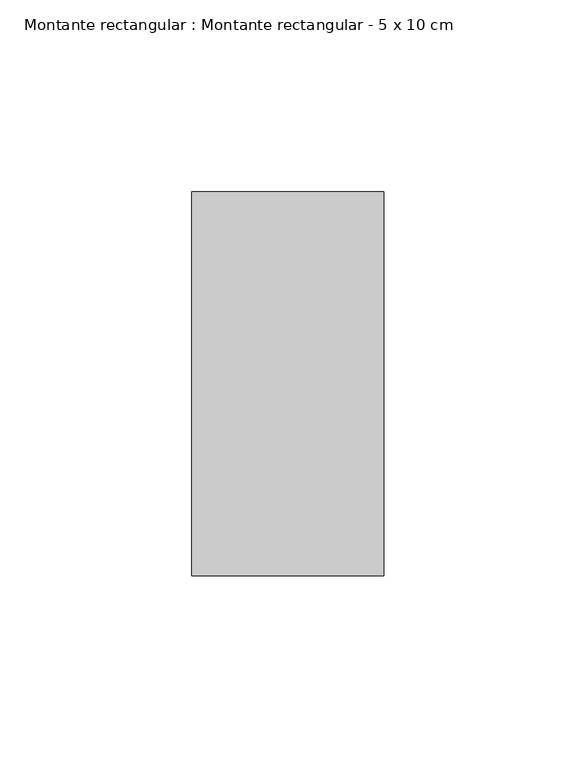
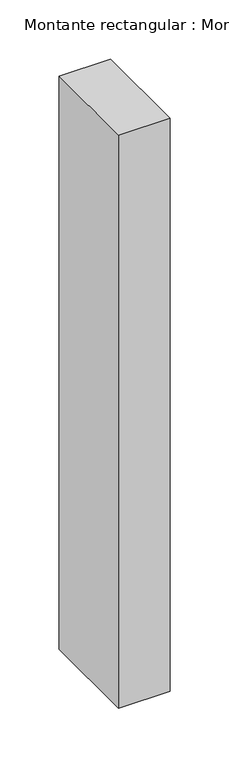
"""IFC4 building model written with IfcOpenShell, lengths in millimetres: member geometry, Montante rectangular : Montante rectangular - 5 x 10 cm."""

from ifc_helpers import new_model, si_unit, frame, origin, place, context, project, spatial, polyline, outline, extrude, source, transform, mapped, element, save


def montante_rectangular_montante_rectangular_5_x_10_cm_1cb77e3f(model_context):
    return source(origin(), model_context, "Body", "SweptSolid", [
        extrude(outline(polyline([(-50.0, 50.0), (0.0, 50.0), (0.0, -50.0), (-50.0, -50.0), (-50.0, 50.0)])), frame((0.0, 0.0, -589.5345998), z_axis=(0.0, 0.0, 1.0), x_axis=(1.0, 0.0, 0.0)), (0.0, 0.0, 1.0), 589.5345998),
    ])


if __name__ == "__main__":
    model = new_model("IFC4")
    model_context = context("Model", 3, world=origin())
    ifc_project = project(units=[si_unit("LENGTHUNIT", "METRE", prefix="MILLI")], contexts=[model_context])
    site = spatial("IfcSite", under=ifc_project)
    building = spatial("IfcBuilding", under=site)
    placement = place(None, origin())
    montante_rectangular_montante_rectangular_5_x_10_cm_shape = montante_rectangular_montante_rectangular_5_x_10_cm_1cb77e3f(model_context)
    element("IfcMember", 1, ObjectType="Montante rectangular : Montante rectangular - 5 x 10 cm", at=placement, inside=building, context=model_context, shape_type="MappedRepresentation", body=[
        mapped(montante_rectangular_montante_rectangular_5_x_10_cm_shape, transform((0.0, 0.0, 0.0), x_axis=(1.0, 0.0, 0.0), y_axis=(0.0, 1.0, 0.0), z_axis=(0.0, 0.0, 1.0))),
    ])
    save(model, "model.ifc")
